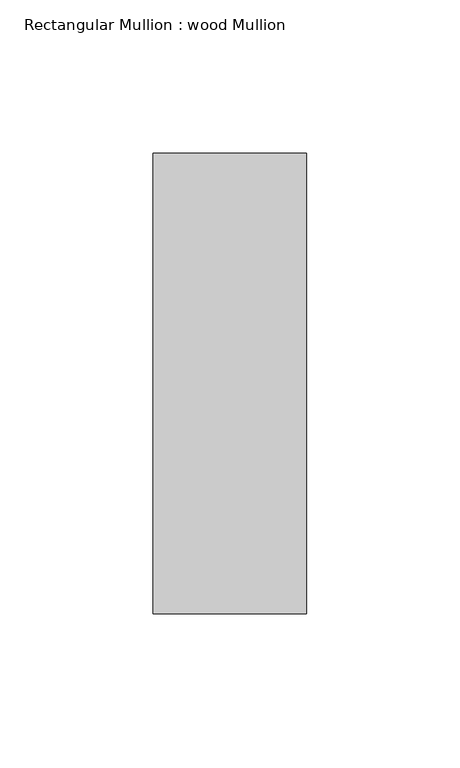
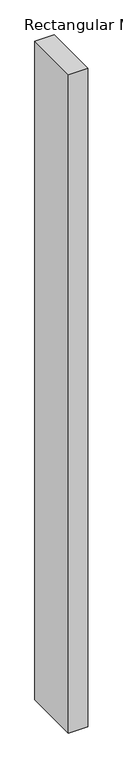
"""IFC4 building model written with IfcOpenShell, lengths in millimetres: member geometry, Rectangular Mullion : wood Mullion."""

from ifc_helpers import new_model, si_unit, frame, origin, place, context, project, spatial, polyline, outline, extrude, source, transform, mapped, element, save


def rectangular_mullion_wood_mullion_083f1865(model_context):
    return source(origin(), model_context, "Body", "SweptSolid", [
        extrude(outline(polyline([(25.0, 75.0), (25.0, -75.0), (-25.0, -75.0), (-25.0, 75.0), (25.0, 75.0)])), frame((0.0, 0.0, -1800.0), z_axis=(0.0, 0.0, 1.0), x_axis=(1.0, 0.0, 0.0)), (0.0, 0.0, 1.0), 1800.0),
    ])


if __name__ == "__main__":
    model = new_model("IFC4")
    model_context = context("Model", 3, world=origin())
    ifc_project = project(units=[si_unit("LENGTHUNIT", "METRE", prefix="MILLI")], contexts=[model_context])
    site = spatial("IfcSite", under=ifc_project)
    building = spatial("IfcBuilding", under=site)
    placement = place(None, origin())
    rectangular_mullion_wood_mullion_shape = rectangular_mullion_wood_mullion_083f1865(model_context)
    element("IfcMember", 1, ObjectType="Rectangular Mullion : wood Mullion", at=placement, inside=building, context=model_context, shape_type="MappedRepresentation", body=[
        mapped(rectangular_mullion_wood_mullion_shape, transform((0.0, 0.0, 0.0), x_axis=(1.0, 0.0, 0.0), y_axis=(0.0, 1.0, 0.0), z_axis=(0.0, 0.0, 1.0))),
    ])
    save(model, "model.ifc")
